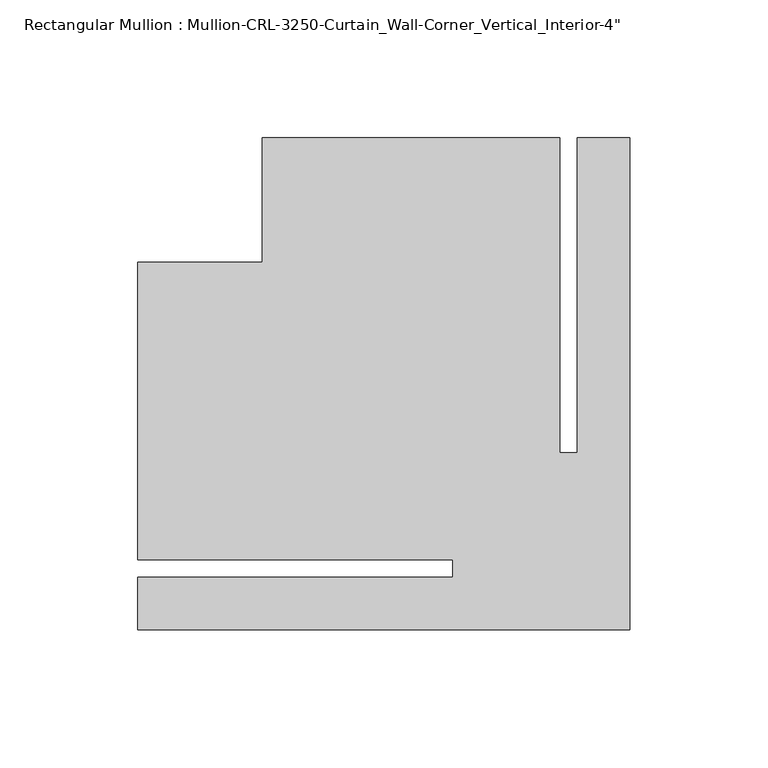
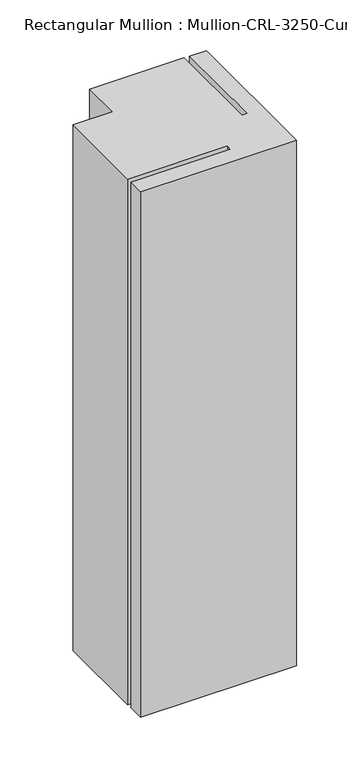
"""IFC4 building model written with IfcOpenShell, lengths in millimetres: member geometry."""

from ifc_helpers import new_model, si_unit, frame, origin, place, context, project, spatial, polyline, outline, extrude, source, transform, mapped, element, save


def member_d1357fa9(model_context):
    return source(origin(), model_context, "Body", "SweptSolid", [
        extrude(outline(polyline([(0.0, 156.1677758), (0.0, -22.1804076), (-178.3499899, -22.1804076), (-178.3499899, -3.175), (-64.2269237, -3.175), (-64.2269237, 3.175), (-178.3499899, 3.175), (-178.3499899, 111.1695924), (-133.35, 111.1695924), (-133.35, 156.1677758), (-25.3711738, 156.1677758), (-25.3711738, 42.0465161), (-19.0211738, 42.0465161), (-19.0211738, 156.1677758), (0.0, 156.1677758)])), frame((0.0, 0.0, -635.0), z_axis=(0.0, 0.0, 1.0), x_axis=(1.0, 0.0, 0.0)), (0.0, 0.0, 1.0), 635.0),
    ])


if __name__ == "__main__":
    model = new_model("IFC4")
    model_context = context("Model", 3, world=origin())
    ifc_project = project(units=[si_unit("LENGTHUNIT", "METRE", prefix="MILLI")], contexts=[model_context])
    site = spatial("IfcSite", under=ifc_project)
    building = spatial("IfcBuilding", under=site)
    placement = place(None, origin())
    member_shape = member_d1357fa9(model_context)
    element("IfcMember", 1, ObjectType="Rectangular Mullion : Mullion-CRL-3250-Curtain_Wall-Corner_Vertical_Interior-4\"", at=placement, inside=building, context=model_context, shape_type="MappedRepresentation", body=[
        mapped(member_shape, transform((0.0, 0.0, 0.0), x_axis=(1.0, 0.0, 0.0), y_axis=(0.0, 1.0, 0.0), z_axis=(0.0, 0.0, 1.0))),
    ])
    save(model, "model.ifc")
